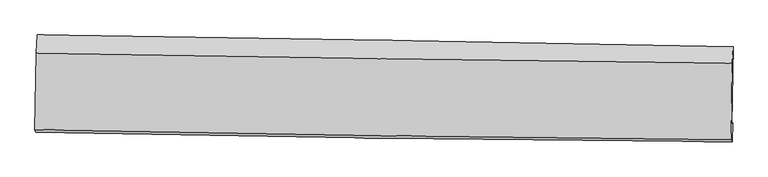
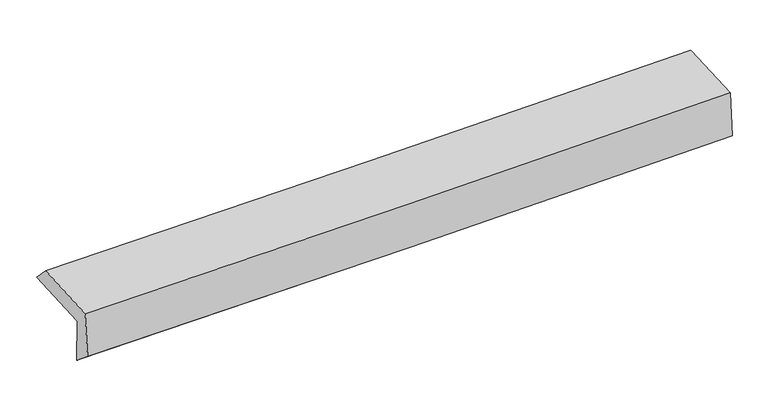
"""IFC4 building model written with IfcOpenShell, lengths in millimetres: proxy geometry."""

from ifc_helpers import new_model, si_unit, frame, origin, place, context, project, spatial, source, transform, mapped, element, save
from ifc_brep_helpers import plane_surface, spline_curve, spline_surface, advanced_brep


def generic_models_11fc23b8(model_context):
    return source(origin(), model_context, "Body", "AdvancedBrep", [
        advanced_brep(
        [(-3020.2337844, -1757.1352154, 1941.3672398), (-3007.534732, -1077.6345103, 1964.116436), (3009.5390128, -1179.8129815, 2108.999614), (2998.5439049, -1854.4683049, 2081.6777062), (-3011.3733757, -1736.6197685, 1540.8996062), (3006.9162978, -1836.1278343, 1701.5695754), (-3018.1900848, -1920.8909795, 1694.3451271), (3001.3160971, -2003.1770238, 1830.556048), (-3026.4138866, -1896.1939521, 2106.1865989), (2992.7606117, -1985.0229145, 2248.8360334), (-3014.0282969, -1235.8126173, 2126.2203379), (3003.6907887, -1322.4788566, 2269.4193605)],
        [
            (0, 1),
            (1, 2, spline_curve(3, [(-3007.534732, -1077.6345103, 1964.116436), (-2004.767969534, -1090.913092925, 1980.019517763), (-1002.123334641, -1106.063908936, 2000.039438405), (1003.568070859, -1140.120984548, 2048.328520757), (2006.614684664, -1159.029658717, 2076.602992511), (3009.5390128, -1179.8129815, 2108.999614)], [4, 2, 4], [0.0, 9.872941916518958, 19.75224957022173])),
            (2, 3),
            (3, 0, spline_curve(3, [(2998.5439049, -1854.4683049, 2081.6777062), (1995.24088479, -1837.958584218, 2052.947314223), (991.862898989, -1821.590064597, 2026.88667122), (-1014.396427142, -1789.145883285, 1980.119955315), (-2017.277671414, -1773.070039987, 1959.410442652), (-3020.2337844, -1757.1352154, 1941.3672398)], [4, 2, 4], [0.0, 9.87930765370277, 19.75224957022173])),
            (4, 0),
            (3, 5),
            (5, 4, spline_curve(3, [(3006.9162978, -1836.1278343, 1701.5695754), (2003.753965927, -1819.673070293, 1666.239874476), (1000.486996049, -1803.150655149, 1635.18292125), (-1005.609696616, -1769.981212869, 1581.631769567), (-2008.439284702, -1753.334272698, 1559.132066154), (-3011.3733757, -1736.6197685, 1540.8996062)], [4, 2, 4], [0.0, 9.880581066164458, 19.7547955746211])),
            (6, 4),
            (5, 7),
            (7, 6, spline_curve(3, [(3001.3160971, -2003.1770238, 1830.556048), (1997.763387348, -1995.22919091, 1803.943991672), (994.199850373, -1984.394964312, 1779.284023915), (-1012.302224094, -1956.962564177, 1733.882898519), (-2015.240747862, -1940.368109613, 1713.139225884), (-3018.1900848, -1920.8909795, 1694.3451271)], [4, 2, 4], [0.0, 9.880899861386185, 19.75543295964868])),
            (8, 6),
            (7, 9),
            (9, 8, spline_curve(3, [(2992.7606117, -1985.0229145, 2248.8360334), (1989.294345051, -1975.12555174, 2220.239416816), (985.801673764, -1962.771279488, 2194.050600325), (-1020.589859709, -1933.158460105, 2146.503890785), (-2023.488688036, -1915.903078294, 2125.1428958), (-3026.4138866, -1896.1939521, 2106.1865989)], [4, 2, 4], [0.0, 9.881143850173789, 19.755920780009582])),
            (10, 8),
            (9, 11),
            (11, 10, spline_curve(3, [(3003.6907887, -1322.4788566, 2269.4193605), (2000.469154126, -1311.095801303, 2240.962129967), (997.220122142, -1298.17926546, 2214.797155601), (-1008.686275237, -1269.288543416, 2167.067101198), (-2011.343604947, -1253.316332823, 2145.499067975), (-3014.0282969, -1235.8126173, 2126.2203379)], [4, 2, 4], [0.0, 9.879850529151334, 19.753334971316768])),
            (1, 10),
            (11, 2),
        ],
        [
            spline_surface(3, 3, [[(-3020.2337844, -1757.1352154, 1941.3672398), (-2017.277671458, -1773.070039858, 1959.410442698), (-1014.396427234, -1789.145883311, 1980.119955229), (991.862899081, -1821.59006457, 2026.886671306), (1995.24088468, -1837.958584285, 2052.947314221), (2998.5439049, -1854.4683049, 2081.6777062)], [(-3016.000766935, -1530.634980389, 1948.95030519), (-2013.107770792, -1545.684390899, 1966.280134377), (-1010.305396425, -1561.4518919, 1986.759783007), (995.764623054, -1594.433704509, 2034.033954444), (1999.032151353, -1611.648942419, 2060.832540323), (3002.208940894, -1629.583197117, 2090.785008778)], [(-3011.767749465, -1304.134745311, 1956.53337061), (-2008.937870123, -1318.298741874, 1973.149826085), (-1006.214365603, -1333.757900498, 1993.399610725), (999.666347039, -1367.277344458, 2041.181237522), (2002.823417942, -1385.339300503, 2068.717766491), (3005.873976806, -1404.698089283, 2099.892311422)], [(-3007.534732, -1077.6345103, 1964.116436), (-2004.767969457, -1090.913092915, 1980.019517764), (-1002.123334794, -1106.063909086, 2000.039438502), (1003.568071012, -1140.120984397, 2048.32852066), (2006.614684614, -1159.029658638, 2076.602992592), (3009.5390128, -1179.8129815, 2108.999614)]], [4, 4], [4, 2, 4], [0.0, 2.2398085880290015], [0.0, 9.872941916518958, 19.75224957022173]),
            spline_surface(3, 3, [[(-3011.3733757, -1736.6197685, 1540.8996062), (-2008.439284549, -1753.334272563, 1559.132066141), (-1005.609696593, -1769.981212803, 1581.631769454), (1000.486996026, -1803.150655215, 1635.182921363), (2003.753965939, -1819.673070259, 1666.239874391), (3006.9162978, -1836.1278343, 1701.5695754)], [(-3014.326845261, -1743.458250775, 1674.388817421), (-2011.385413513, -1759.912861636, 1692.558191681), (-1008.538606819, -1776.369436324, 1714.461164708), (997.612297033, -1809.297125018, 1765.750838006), (2000.91627218, -1825.768241584, 1795.142354336), (3004.125500161, -1842.241324483, 1828.272285668)], [(-3017.280314839, -1750.296733125, 1807.878028579), (-2014.331542494, -1766.491450784, 1825.984317158), (-1011.467517008, -1782.757659791, 1847.290559976), (994.737598075, -1815.443594767, 1896.318754663), (1998.078578439, -1831.86341296, 1924.044834276), (3001.334702539, -1848.354814717, 1954.974995932)], [(-3020.2337844, -1757.1352154, 1941.3672398), (-2017.277671458, -1773.070039858, 1959.410442698), (-1014.396427234, -1789.145883311, 1980.119955229), (991.862899081, -1821.59006457, 2026.886671306), (1995.24088468, -1837.958584285, 2052.947314221), (2998.5439049, -1854.4683049, 2081.6777062)]], [4, 4], [4, 2, 4], [0.0, 1.2980206217259946], [0.0, 9.87421450845664, 19.7547955746211]),
            spline_surface(3, 3, [[(-3018.1900848, -1920.8909795, 1694.3451271), (-2015.240747871, -1940.368109502, 1713.139225795), (-1012.302224153, -1956.962564264, 1733.882898491), (994.199850433, -1984.394964225, 1779.284023943), (1997.763387339, -1995.229190843, 1803.943991546), (3001.3160971, -2003.1770238, 1830.556048)], [(-3015.917848424, -1859.467242529, 1643.196620133), (-2012.973593422, -1878.023497218, 1661.80350591), (-1010.07138161, -1894.635447117, 1683.132522136), (996.295565654, -1923.980194561, 1731.250323073), (1999.760246859, -1936.710483975, 1758.042619189), (3003.182830653, -1947.493960627, 1787.560557161)], [(-3013.645612076, -1798.043505471, 1592.048113167), (-2010.706438999, -1815.678884847, 1610.467786027), (-1007.840539136, -1832.30832995, 1632.382145809), (998.391280806, -1863.565424878, 1683.216622232), (2001.757106419, -1878.191777127, 1712.141246748), (3005.049564247, -1891.810897473, 1744.565066239)], [(-3011.3733757, -1736.6197685, 1540.8996062), (-2008.439284549, -1753.334272563, 1559.132066141), (-1005.609696593, -1769.981212803, 1581.631769454), (1000.486996026, -1803.150655215, 1635.182921363), (2003.753965939, -1819.673070259, 1666.239874391), (3006.9162978, -1836.1278343, 1701.5695754)]], [4, 4], [4, 2, 4], [0.0, 0.7756557217891774], [0.0, 9.874533098262495, 19.75543295964868]),
            spline_surface(3, 3, [[(-3026.4138866, -1896.1939521, 2106.1865989), (-2023.488687883, -1915.903078167, 2125.142895797), (-1020.589859696, -1933.158460121, 2146.503890781), (985.80167375, -1962.771279472, 2194.05060033), (1989.294345004, -1975.125551619, 2220.239416878), (2992.7606117, -1985.0229145, 2248.8360334)], [(-3023.672619326, -1904.42629456, 1968.906108277), (-2020.739374538, -1924.058088605, 1987.808339106), (-1017.827314523, -1941.093161492, 2008.963560006), (988.60106597, -1969.979174379, 2055.795074855), (1992.117359132, -1981.826764698, 2081.474275095), (2995.612440183, -1991.074284271, 2109.409371594)], [(-3020.931352074, -1912.65863704, 1831.625617723), (-2017.990061216, -1932.213099064, 1850.473782486), (-1015.064769326, -1949.027862894, 1871.423229266), (991.400458213, -1977.187069318, 1917.539549417), (1994.940373212, -1988.527977764, 1942.70913333), (2998.464268617, -1997.125654029, 1969.982709806)], [(-3018.1900848, -1920.8909795, 1694.3451271), (-2015.240747871, -1940.368109502, 1713.139225795), (-1012.302224153, -1956.962564264, 1733.882898491), (994.199850433, -1984.394964225, 1779.284023943), (1997.763387339, -1995.229190843, 1803.943991546), (3001.3160971, -2003.1770238, 1830.556048)]], [4, 4], [4, 2, 4], [0.0, 1.3595850133904188], [0.0, 9.874776929835793, 19.755920780009582]),
            spline_surface(3, 3, [[(-3014.0282969, -1235.8126173, 2126.2203379), (-2011.343604968, -1253.316332865, 2145.499068052), (-1008.686275132, -1269.288543429, 2167.067101176), (997.220122037, -1298.179265447, 2214.797155623), (2000.469154055, -1311.095801271, 2240.962130042), (3003.6907887, -1322.4788566, 2269.4193605)], [(-3018.156826797, -1455.9397289, 2119.542424912), (-2015.391965937, -1474.178581299, 2138.713677312), (-1012.654136642, -1490.578515665, 2160.212697742), (993.413972619, -1519.709936793, 2207.881637223), (1996.744217698, -1532.43905138, 2234.054558988), (3000.047396359, -1543.326875893, 2262.558251467)], [(-3022.285356703, -1676.0668405, 2112.864511888), (-2019.440326914, -1695.040829733, 2131.928286537), (-1016.621998185, -1711.868487886, 2153.358294215), (989.607823168, -1741.240608125, 2200.966118729), (1993.019281362, -1753.78230151, 2227.146987933), (2996.404004041, -1764.174895207, 2255.697142433)], [(-3026.4138866, -1896.1939521, 2106.1865989), (-2023.488687883, -1915.903078167, 2125.142895797), (-1020.589859696, -1933.158460121, 2146.503890781), (985.80167375, -1962.771279472, 2194.05060033), (1989.294345004, -1975.125551619, 2220.239416878), (2992.7606117, -1985.0229145, 2248.8360334)]], [4, 4], [4, 2, 4], [0.0, 2.1806252024832142], [0.0, 9.873484442165434, 19.753334971316768]),
            spline_surface(3, 3, [[(-3007.534732, -1077.6345103, 1964.116436), (-2004.767969457, -1090.913092915, 1980.019517764), (-1002.123334794, -1106.063909086, 2000.039438502), (1003.568071012, -1140.120984397, 2048.32852066), (2006.614684614, -1159.029658638, 2076.602992592), (3009.5390128, -1179.8129815, 2108.999614)], [(-3009.699253656, -1130.360545948, 2018.151069967), (-2006.959847984, -1145.047506213, 2035.17936786), (-1004.310981583, -1160.472120519, 2055.715326035), (1001.45208801, -1192.807078065, 2103.818065622), (2004.56617441, -1209.718372858, 2131.389371741), (3007.589604749, -1227.368273209, 2162.472862832)], [(-3011.863775244, -1183.086581652, 2072.185703933), (-2009.151726441, -1199.181919568, 2090.339217955), (-1006.498628343, -1214.880331997, 2111.391213643), (999.336105038, -1245.493171779, 2159.307610661), (2002.517664259, -1260.40708705, 2186.175750894), (3005.640196751, -1274.923564891, 2215.946111668)], [(-3014.0282969, -1235.8126173, 2126.2203379), (-2011.343604968, -1253.316332865, 2145.499068052), (-1008.686275132, -1269.288543429, 2167.067101176), (997.220122037, -1298.179265447, 2214.797155623), (2000.469154055, -1311.095801271, 2240.962130042), (3003.6907887, -1322.4788566, 2269.4193605)]], [4, 4], [4, 2, 4], [0.0, 0.7599355798111825], [0.0, 9.871976690419501, 19.750318495677853]),
            plane_surface(frame((3002.1277855, -1696.8479859, 2040.1763896), z_axis=(0.9996283559453395, -0.017149485465591512, 0.02119068517729342), x_axis=(0.02043046524234294, -0.04335194087484224, -0.9988509424896017))),
            plane_surface(frame((-3016.2956934, -1604.0478405, 1895.5225576), z_axis=(-0.999588875736423, 0.01938829294326711, -0.02112282179871389), x_axis=(-0.018675077053141267, -0.9992657426971746, -0.03345470025158644))),
        ],
        [
            (0, [[1, 2, 3, 4]]),
            (1, [[5, -4, 6, 7]]),
            (2, [[8, -7, 9, 10]]),
            (3, [[11, -10, 12, 13]]),
            (4, [[14, -13, 15, 16]]),
            (5, [[17, -16, 18, -2]]),
            (6, [[-12, -9, -6, -3, -18, -15]]),
            (7, [[-1, -5, -8, -11, -14, -17]]),
        ],
    ),
    ])


if __name__ == "__main__":
    model = new_model("IFC4")
    model_context = context("Model", 3, world=origin())
    ifc_project = project(units=[si_unit("LENGTHUNIT", "METRE", prefix="MILLI")], contexts=[model_context])
    site = spatial("IfcSite", under=ifc_project)
    building = spatial("IfcBuilding", under=site)
    placement = place(None, origin())
    generic_models_shape = generic_models_11fc23b8(model_context)
    element("IfcBuildingElementProxy", 1, Name="Generic Models", at=placement, inside=building, context=model_context, shape_type="MappedRepresentation", body=[
        mapped(generic_models_shape, transform((0.0, 0.0, 0.0), x_axis=(1.0, 0.0, 0.0), y_axis=(0.0, 1.0, 0.0), z_axis=(0.0, 0.0, 1.0))),
    ])
    save(model, "model.ifc")
